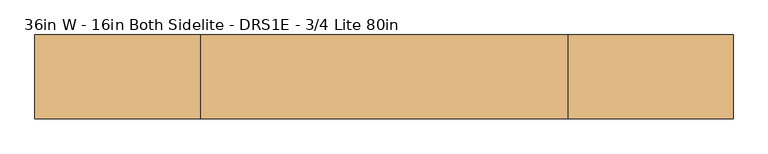
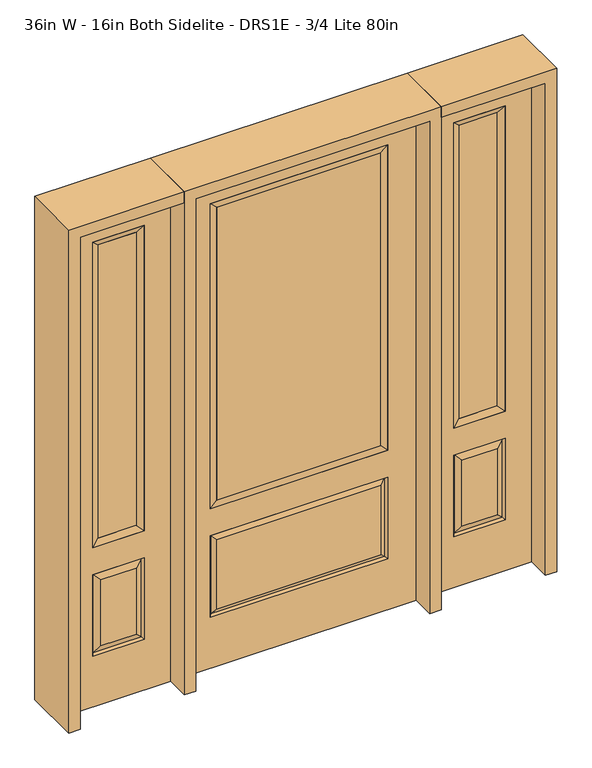
"""IFC4 building model written with IfcOpenShell, lengths in millimetres: door geometry, 36in W - 16in Both Sidelite - DRS1E - 3/4 Lite 80in."""

from ifc_helpers import new_model, si_unit, frame, origin, place, context, project, spatial, polyline, outline, extrude, faceted_brep, source, transform, mapped, element, save


def door_36in_w_16in_both_sidelite_drs1e_3_4_lite_80in_2453dac9(model_context):
    return source(origin(), model_context, "Body", "SolidModel", [
        faceted_brep([(501.65, -22.225, 0.0), (908.05, -22.225, 0.0), (908.05, -22.225, 2032.0), (501.65, -22.225, 2032.0), (805.18, -22.225, 1919.224), (805.18, -22.225, 657.098), (604.52, -22.225, 657.098), (604.52, -22.225, 1919.224), (805.18, -22.225, 209.55), (604.52, -22.225, 209.55), (604.52, -22.225, 546.1), (805.18, -22.225, 546.1), (636.2351001, -22.225, 241.2651001), (773.4648999, -22.225, 241.2651001), (773.4648999, -22.225, 514.3848999), (636.2351001, -22.225, 514.3848999), (501.65, 22.225, 0.0), (501.65, 22.225, 2032.0), (908.05, 22.225, 2032.0), (908.05, 22.225, 0.0), (805.18, 22.225, 1919.224), (604.52, 22.225, 1919.224), (604.52, 22.225, 657.098), (805.18, 22.225, 657.098), (604.52, 22.225, 209.55), (805.18, 22.225, 209.55), (805.18, 22.225, 546.1), (604.52, 22.225, 546.1), (773.4648999, 22.225, 241.2651001), (636.2351001, 22.225, 241.2651001), (636.2351001, 22.225, 514.3848999), (773.4648999, 22.225, 514.3848999), (798.0711499, 12.7912373, 216.6588501), (611.6288501, 12.7912373, 216.6588501), (611.6288501, 12.7912373, 538.9911499), (798.0711499, 12.7912373, 538.9911499), (611.6288501, -12.7912373, 216.6588501), (798.0711499, -12.7912373, 216.6588501), (611.6288501, -12.7912373, 538.9911499), (798.0711499, -12.7912373, 538.9911499)], [[[0, 1, 2, 3], [4, 5, 6, 7], [8, 9, 10, 11]], [[12, 13, 14, 15]], [[16, 17, 18, 19], [20, 21, 22, 23], [24, 25, 26, 27]], [[28, 29, 30, 31]], [[1, 0, 16, 19]], [[2, 1, 19, 18]], [[3, 2, 18, 17]], [[0, 3, 17, 16]], [[5, 4, 20, 23]], [[6, 5, 23, 22]], [[7, 6, 22, 21]], [[4, 7, 21, 20]], [[32, 33, 29, 28]], [[33, 32, 25, 24]], [[29, 33, 34, 30]], [[33, 24, 27, 34]], [[30, 34, 35, 31]], [[34, 27, 26, 35]], [[32, 28, 31, 35]], [[25, 32, 35, 26]], [[12, 36, 37, 13]], [[37, 36, 9, 8]], [[36, 12, 15, 38]], [[9, 36, 38, 10]], [[38, 15, 14, 39]], [[10, 38, 39, 11]], [[13, 37, 39, 14]], [[37, 8, 11, 39]]]),
        faceted_brep([(604.52, 22.225, 1919.224), (604.52, -22.225, 1919.224), (805.18, -22.225, 1919.224), (805.18, 22.225, 1919.224), (629.92, 12.7, 1893.824), (779.78, 12.7, 1893.824), (629.92, -12.7, 1893.824), (779.78, -12.7, 1893.824), (805.18, -22.225, 657.098), (805.18, 22.225, 657.098), (779.78, 12.7, 682.498), (779.78, -12.7, 682.498), (604.52, -22.225, 657.098), (604.52, 22.225, 657.098), (629.92, 12.7, 682.498), (629.92, -12.7, 682.498)], [[[0, 1, 2, 3]], [[4, 0, 3, 5]], [[6, 4, 5, 7]], [[1, 6, 7, 2]], [[3, 2, 8, 9]], [[5, 3, 9, 10]], [[7, 5, 10, 11]], [[2, 7, 11, 8]], [[9, 8, 12, 13]], [[10, 9, 13, 14]], [[11, 10, 14, 15]], [[8, 11, 15, 12]], [[13, 12, 1, 0]], [[14, 13, 0, 4]], [[15, 14, 4, 6]], [[12, 15, 6, 1]]]),
        extrude(outline(polyline([(779.78, -12.7), (629.92, -12.7), (629.92, 12.7), (779.78, 12.7), (779.78, -12.7)])), frame((0.0, 0.0, 682.498), z_axis=(0.0, 0.0, 1.0), x_axis=(1.0, 0.0, 0.0)), (0.0, 0.0, 1.0), 1211.326),
        faceted_brep([(-908.05, -22.225, 0.0), (-501.65, -22.225, 0.0), (-501.65, -22.225, 2032.0), (-908.05, -22.225, 2032.0), (-604.52, -22.225, 1919.224), (-604.52, -22.225, 657.098), (-805.18, -22.225, 657.098), (-805.18, -22.225, 1919.224), (-604.52, -22.225, 209.55), (-805.18, -22.225, 209.55), (-805.18, -22.225, 546.1), (-604.52, -22.225, 546.1), (-773.4648999, -22.225, 241.2651001), (-636.2351001, -22.225, 241.2651001), (-636.2351001, -22.225, 514.3848999), (-773.4648999, -22.225, 514.3848999), (-908.05, 22.225, 0.0), (-908.05, 22.225, 2032.0), (-501.65, 22.225, 2032.0), (-501.65, 22.225, 0.0), (-604.52, 22.225, 1919.224), (-805.18, 22.225, 1919.224), (-805.18, 22.225, 657.098), (-604.52, 22.225, 657.098), (-805.18, 22.225, 209.55), (-604.52, 22.225, 209.55), (-604.52, 22.225, 546.1), (-805.18, 22.225, 546.1), (-636.2351001, 22.225, 241.2651001), (-773.4648999, 22.225, 241.2651001), (-773.4648999, 22.225, 514.3848999), (-636.2351001, 22.225, 514.3848999), (-611.6288501, 12.7912373, 216.6588501), (-798.0711499, 12.7912373, 216.6588501), (-798.0711499, 12.7912373, 538.9911499), (-611.6288501, 12.7912373, 538.9911499), (-798.0711499, -12.7912373, 216.6588501), (-611.6288501, -12.7912373, 216.6588501), (-798.0711499, -12.7912373, 538.9911499), (-611.6288501, -12.7912373, 538.9911499)], [[[0, 1, 2, 3], [4, 5, 6, 7], [8, 9, 10, 11]], [[12, 13, 14, 15]], [[16, 17, 18, 19], [20, 21, 22, 23], [24, 25, 26, 27]], [[28, 29, 30, 31]], [[1, 0, 16, 19]], [[2, 1, 19, 18]], [[3, 2, 18, 17]], [[0, 3, 17, 16]], [[5, 4, 20, 23]], [[6, 5, 23, 22]], [[7, 6, 22, 21]], [[4, 7, 21, 20]], [[32, 33, 29, 28]], [[33, 32, 25, 24]], [[29, 33, 34, 30]], [[33, 24, 27, 34]], [[30, 34, 35, 31]], [[34, 27, 26, 35]], [[32, 28, 31, 35]], [[25, 32, 35, 26]], [[12, 36, 37, 13]], [[37, 36, 9, 8]], [[36, 12, 15, 38]], [[9, 36, 38, 10]], [[38, 15, 14, 39]], [[10, 38, 39, 11]], [[13, 37, 39, 14]], [[37, 8, 11, 39]]]),
        faceted_brep([(-805.18, 22.225, 1919.224), (-805.18, -22.225, 1919.224), (-604.52, -22.225, 1919.224), (-604.52, 22.225, 1919.224), (-779.78, 12.7, 1893.824), (-629.92, 12.7, 1893.824), (-779.78, -12.7, 1893.824), (-629.92, -12.7, 1893.824), (-604.52, -22.225, 657.098), (-604.52, 22.225, 657.098), (-629.92, 12.7, 682.498), (-629.92, -12.7, 682.498), (-805.18, -22.225, 657.098), (-805.18, 22.225, 657.098), (-779.78, 12.7, 682.498), (-779.78, -12.7, 682.498)], [[[0, 1, 2, 3]], [[4, 0, 3, 5]], [[6, 4, 5, 7]], [[1, 6, 7, 2]], [[3, 2, 8, 9]], [[5, 3, 9, 10]], [[7, 5, 10, 11]], [[2, 7, 11, 8]], [[9, 8, 12, 13]], [[10, 9, 13, 14]], [[11, 10, 14, 15]], [[8, 11, 15, 12]], [[13, 12, 1, 0]], [[14, 13, 0, 4]], [[15, 14, 4, 6]], [[12, 15, 6, 1]]]),
        extrude(outline(polyline([(-629.92, -12.7), (-779.78, -12.7), (-779.78, 12.7), (-629.92, 12.7), (-629.92, -12.7)])), frame((0.0, 0.0, 682.498), z_axis=(0.0, 0.0, 1.0), x_axis=(1.0, 0.0, 0.0)), (0.0, 0.0, 1.0), 1211.326),
        faceted_brep([(-338.9661499, -12.7912373, 216.6588501), (338.9661499, -12.7912373, 216.6588501), (321.46875, -22.225, 234.15625), (-321.46875, -22.225, 234.15625), (-346.075, -22.225, 209.55), (346.075, -22.225, 209.55), (-338.9661499, -12.7912373, 538.9911499), (-346.075, -22.225, 546.1), (321.46875, -22.225, 521.49375), (-321.46875, -22.225, 521.49375), (457.2, -22.225, 2032.0), (-457.2, -22.225, 2032.0), (-457.2, -22.225, 0.0), (457.2, -22.225, 0.0), (346.075, -22.225, 546.1), (346.075, -22.225, 1917.7), (346.075, -22.225, 657.098), (-346.075, -22.225, 657.098), (-346.075, -22.225, 1917.7), (338.9661499, -12.7912373, 538.9911499), (-457.2, 22.225, 2032.0), (-457.2, 22.225, 0.0), (457.2, 22.225, 0.0), (457.2, 22.225, 2032.0), (346.075, 22.225, 1917.7), (346.075, 22.225, 657.098), (-346.075, 22.225, 657.098), (-346.075, 22.225, 1917.7), (-346.075, 22.225, 209.55), (346.075, 22.225, 209.55), (346.075, 22.225, 546.1), (-346.075, 22.225, 546.1), (321.46875, 22.225, 234.15625), (-321.46875, 22.225, 234.15625), (-321.46875, 22.225, 521.49375), (321.46875, 22.225, 521.49375), (-338.9661499, 12.7912373, 216.6588501), (338.9661499, 12.7912373, 216.6588501), (338.9661499, 12.7912373, 538.9911499), (-338.9661499, 12.7912373, 538.9911499)], [[[0, 1, 2, 3]], [[1, 0, 4, 5]], [[4, 0, 6, 7]], [[3, 2, 8, 9]], [[10, 11, 12, 13], [5, 4, 7, 14], [15, 16, 17, 18]], [[1, 5, 14, 19]], [[2, 1, 19, 8]], [[0, 3, 9, 6]], [[7, 6, 19, 14]], [[6, 9, 8, 19]], [[12, 11, 20, 21]], [[13, 12, 21, 22]], [[10, 13, 22, 23]], [[16, 15, 24, 25]], [[17, 16, 25, 26]], [[18, 17, 26, 27]], [[23, 22, 21, 20], [28, 29, 30, 31], [24, 27, 26, 25]], [[32, 33, 34, 35]], [[28, 36, 37, 29]], [[29, 37, 38, 30]], [[39, 31, 30, 38]], [[36, 28, 31, 39]], [[37, 36, 33, 32]], [[33, 36, 39, 34]], [[34, 39, 38, 35]], [[37, 32, 35, 38]], [[11, 10, 23, 20]], [[15, 18, 27, 24]]]),
        faceted_brep([(-346.075, -22.225, 1917.7), (-346.075, 22.225, 1917.7), (-346.075, 22.225, 657.098), (-346.075, -22.225, 657.098), (346.075, 22.225, 657.098), (346.075, -22.225, 657.098), (-320.675, 5.08, 682.498), (320.675, 5.08, 682.498), (346.075, 22.225, 1917.7), (346.075, -22.225, 1917.7), (-320.675, -20.32, 682.498), (320.675, -20.32, 682.498), (-320.675, -20.32, 1892.3), (320.675, -20.32, 1892.3), (-320.675, 5.08, 1892.3), (320.675, 5.08, 1892.3)], [[[0, 1, 2, 3]], [[3, 2, 4, 5]], [[2, 6, 7, 4]], [[5, 4, 8, 9]], [[10, 3, 5, 11]], [[12, 0, 3, 10]], [[11, 5, 9, 13]], [[6, 10, 11, 7]], [[14, 12, 10, 6]], [[7, 11, 13, 15]], [[1, 14, 6, 2]], [[4, 7, 15, 8]], [[9, 8, 1, 0]], [[13, 9, 0, 12]], [[15, 13, 12, 14]], [[8, 15, 14, 1]]]),
        extrude(outline(polyline([(320.675, -20.32), (-320.675, -20.32), (-320.675, 5.08), (320.675, 5.08), (320.675, -20.32)])), frame((0.0, 0.0, 682.498), z_axis=(0.0, 0.0, 1.0), x_axis=(1.0, 0.0, 0.0)), (0.0, 0.0, 1.0), 1209.802),
        extrude(outline(polyline([(2032.0, -501.65), (2076.45, -501.65), (2076.45, -952.5), (0.0, -952.5), (0.0, -908.05), (2032.0, -908.05), (2032.0, -501.65)])), frame((0.0, -114.3, 0.0), z_axis=(0.0, 1.0, 0.0), x_axis=(0.0, 0.0, 1.0)), (0.0, 0.0, 1.0), 228.6),
        extrude(outline(polyline([(2076.45, -501.65), (0.0, -501.65), (0.0, -457.2), (2032.0, -457.2), (2032.0, 457.2), (0.0, 457.2), (0.0, 501.65), (2076.45, 501.65), (2076.45, -501.65)])), frame((0.0, -114.3, 0.0), z_axis=(0.0, 1.0, 0.0), x_axis=(0.0, 0.0, 1.0)), (0.0, 0.0, 1.0), 228.6),
        extrude(outline(polyline([(0.0, 908.05), (0.0, 952.5), (2076.45, 952.5), (2076.45, 501.65), (2032.0, 501.65), (2032.0, 908.05), (0.0, 908.05)])), frame((0.0, -114.3, 0.0), z_axis=(0.0, 1.0, 0.0), x_axis=(0.0, 0.0, 1.0)), (0.0, 0.0, 1.0), 228.6),
    ])


if __name__ == "__main__":
    model = new_model("IFC4")
    model_context = context("Model", 3, world=origin())
    ifc_project = project(units=[si_unit("LENGTHUNIT", "METRE", prefix="MILLI")], contexts=[model_context])
    site = spatial("IfcSite", under=ifc_project)
    building = spatial("IfcBuilding", under=site)
    placement = place(None, origin())
    door_36in_w_16in_both_sidelite_drs1e_3_4_lite_80in_shape = door_36in_w_16in_both_sidelite_drs1e_3_4_lite_80in_2453dac9(model_context)
    element("IfcDoor", 1, ObjectType="36in W - 16in Both Sidelite - DRS1E - 3/4 Lite 80in", at=placement, inside=building, context=model_context, shape_type="MappedRepresentation", body=[
        mapped(door_36in_w_16in_both_sidelite_drs1e_3_4_lite_80in_shape, transform((0.0, 0.0, 0.0), x_axis=(1.0, 0.0, 0.0), y_axis=(0.0, 1.0, 0.0), z_axis=(0.0, 0.0, 1.0))),
    ])
    save(model, "model.ifc")
